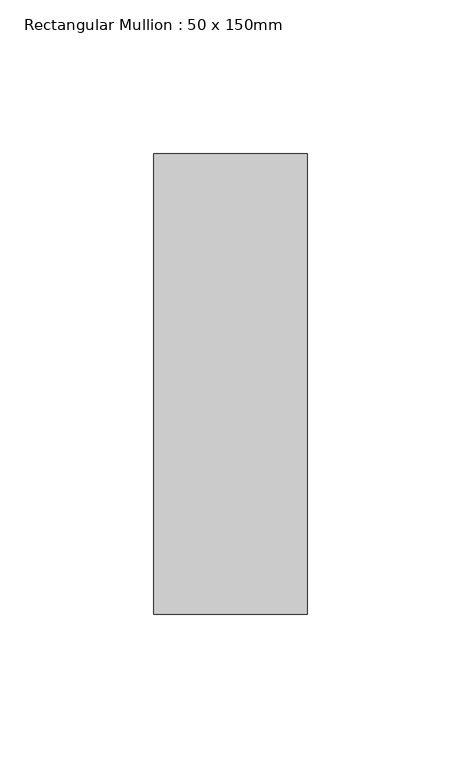
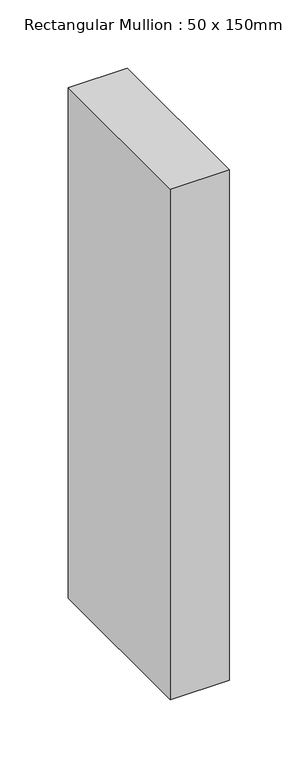
"""IFC4 building model written with IfcOpenShell, lengths in millimetres: member geometry, Rectangular Mullion : 50 x 150mm."""

from ifc_helpers import new_model, si_unit, frame, origin, place, context, project, spatial, polyline, outline, extrude, source, transform, mapped, element, save


def rectangular_mullion_50_x_150mm_2f10ad59(model_context):
    return source(origin(), model_context, "Body", "SweptSolid", [
        extrude(outline(polyline([(25.0, 75.0), (25.0, -75.0), (-25.0, -75.0), (-25.0, 75.0), (25.0, 75.0)])), frame((0.0, 0.0, -457.247097), z_axis=(0.0, 0.0, 1.0), x_axis=(1.0, 0.0, 0.0)), (0.0, 0.0, 1.0), 457.247097),
    ])


if __name__ == "__main__":
    model = new_model("IFC4")
    model_context = context("Model", 3, world=origin())
    ifc_project = project(units=[si_unit("LENGTHUNIT", "METRE", prefix="MILLI")], contexts=[model_context])
    site = spatial("IfcSite", under=ifc_project)
    building = spatial("IfcBuilding", under=site)
    placement = place(None, origin())
    rectangular_mullion_50_x_150mm_shape = rectangular_mullion_50_x_150mm_2f10ad59(model_context)
    element("IfcMember", 1, ObjectType="Rectangular Mullion : 50 x 150mm", at=placement, inside=building, context=model_context, shape_type="MappedRepresentation", body=[
        mapped(rectangular_mullion_50_x_150mm_shape, transform((0.0, 0.0, 0.0), x_axis=(1.0, 0.0, 0.0), y_axis=(0.0, 1.0, 0.0), z_axis=(0.0, 0.0, 1.0))),
    ])
    save(model, "model.ifc")
